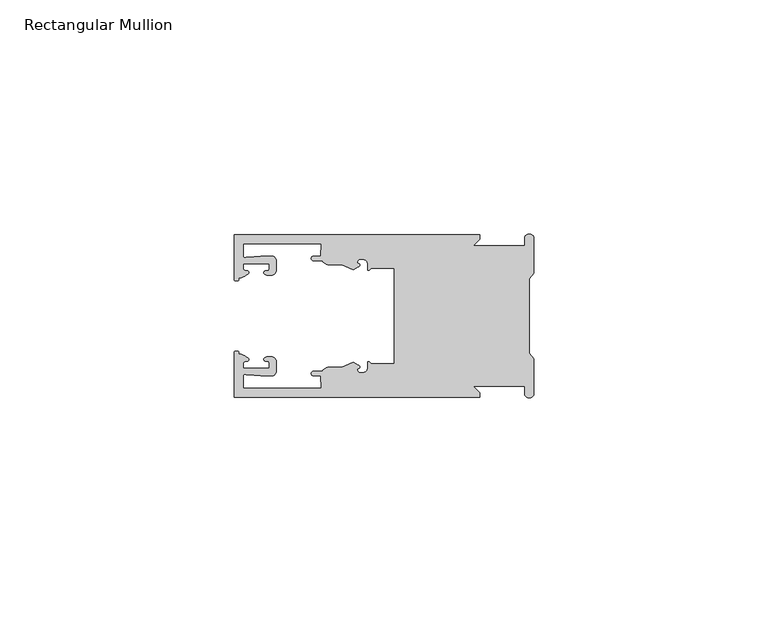
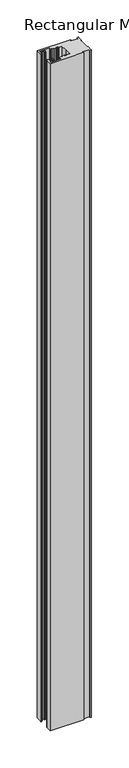
"""IFC4 building model written with IfcOpenShell, lengths in millimetres: member geometry, Rectangular Mullion."""

from ifc_helpers import new_model, si_unit, frame, origin, place, context, project, spatial, polyline, circle_curve, source, transform, mapped, element, save
from ifc_brep_helpers import plane_surface, cylinder_surface, revolved_surface, extruded_surface, spline_curve, advanced_brep


def rectangular_mullion_a515118d(model_context):
    return source(origin(), model_context, "Body", "AdvancedBrep", [
        advanced_brep(
        [(-11.5387897, 17.4000478, 0.0), (-64.0387868, 17.4000478, 0.0), (-64.0387868, 7.8350057, 0.0), (-63.2884687, 7.5412947, 0.0), (-62.4614154, 8.1921895, 0.0), (-62.0410649, 9.9426451, 0.0), (-62.0424168, 11.1926444, 0.0), (-56.54242, 11.1985924, 0.0), (-56.5410682, 9.9485931, 0.0), (-57.1085345, 8.7314723, 0.0), (-56.0397166, 8.6991345, 0.0), (-55.0407987, 9.7002154, 0.0), (-55.0430697, 11.8002142, 0.0), (-56.0446364, 12.7991315, 0.0), (-58.3650753, 12.7954945, 0.0), (-61.1340054, 12.5502269, 0.0), (-62.044093, 12.7426435, 0.0), (-62.0469668, 15.4000478, 0.0), (-45.4240312, 15.4000478, 0.0), (-45.5732135, 12.8000478, 0.0), (-47.0387868, 12.8000478, 0.0), (-47.0387868, 11.8000478, 0.0), (-45.2543363, 11.8000478, 0.0), (-43.6387868, 10.9000478, 0.0), (-41.0454034, 10.9000478, 0.0), (-38.5697136, 9.8718293, 0.0), (-37.5387868, 10.4670351, 0.0), (-37.6803436, 11.4201497, 0.0), (-37.0270763, 12.1583697, 0.0), (-36.2010815, 12.0127245, 0.0), (-35.54, 11.2248783, 0.0), (-35.54, 10.0, 0.0), (-34.7705791, 10.25, 0.0), (-29.79, 10.25, 0.0), (-29.79, 0.0, 0.0), (-29.79, -10.25, 0.0), (-34.7705791, -10.25, 0.0), (-35.54, -10.0, 0.0), (-35.54, -11.2248783, 0.0), (-36.2010815, -12.0127245, 0.0), (-37.0270763, -12.1583697, 0.0), (-37.6803436, -11.4201497, 0.0), (-37.5387868, -10.4670351, 0.0), (-38.5697136, -9.8718293, 0.0), (-41.0454034, -10.9000478, 0.0), (-43.6387868, -10.9000478, 0.0), (-45.2543363, -11.8000478, 0.0), (-47.0387868, -11.8000478, 0.0), (-47.0387868, -12.8000478, 0.0), (-45.5732135, -12.8000478, 0.0), (-45.4240312, -15.4000478, 0.0), (-62.0469668, -15.4000478, 0.0), (-62.044093, -12.7426435, 0.0), (-61.1340054, -12.5502269, 0.0), (-58.3650753, -12.7954945, 0.0), (-56.0446364, -12.7991314, 0.0), (-55.0430697, -11.8002142, 0.0), (-55.0407987, -9.7002154, 0.0), (-56.0397166, -8.6991345, 0.0), (-57.1085345, -8.7314723, 0.0), (-56.5410682, -9.9485931, 0.0), (-56.54242, -11.1985924, 0.0), (-62.0424168, -11.1926444, 0.0), (-62.0410649, -9.9426451, 0.0), (-62.4614154, -8.1921895, 0.0), (-63.2884687, -7.5412947, 0.0), (-64.0387868, -7.8350057, 0.0), (-64.0387868, -17.4000478, 0.0), (-11.5387897, -17.4000478, 0.0), (-11.5387897, -16.4000449, 0.0), (-12.9388346, -15.0, 0.0), (-2.0, -15.0, 0.0), (-2.0, -16.5, 0.0), (0.0, -16.5, 0.0), (0.0, -9.1160254, 0.0), (-1.0, -7.9613249, 0.0), (-1.0, 0.0, 0.0), (-1.0, 7.9613249, 0.0), (0.0, 9.1160254, 0.0), (0.0, 16.5, 0.0), (-2.0, 16.5, 0.0), (-2.0, 15.0, 0.0), (-12.9388346, 15.0, 0.0), (-11.5387897, 16.4000449, 0.0), (-11.5387897, 17.4000478, -1095.93), (-11.5387897, 16.4000449, -1095.93), (-12.9388346, 15.0, -1095.93), (-2.0, 15.0, -1095.93), (-2.0, 16.5, -1095.93), (0.0, 16.5, -1095.93), (0.0, 9.1160254, -1095.93), (-1.0, 7.9613249, -1095.93), (-1.0, 0.0, -1095.93), (-1.0, -7.9613249, -1095.93), (0.0, -9.1160254, -1095.93), (0.0, -16.5, -1095.93), (-2.0, -16.5, -1095.93), (-2.0, -15.0, -1095.93), (-12.9388346, -15.0, -1095.93), (-11.5387897, -16.4000449, -1095.93), (-11.5387897, -17.4000478, -1095.93), (-64.0387868, -17.4000478, -1095.93), (-64.0387868, -7.8350057, -1095.93), (-63.2884687, -7.5412947, -1095.93), (-62.4614154, -8.1921895, -1095.93), (-62.0410649, -9.9426451, -1095.93), (-62.0424168, -11.1926444, -1095.93), (-56.54242, -11.1985924, -1095.93), (-56.5410682, -9.9485931, -1095.93), (-57.1085345, -8.7314723, -1095.93), (-56.0397166, -8.6991345, -1095.93), (-55.0407987, -9.7002154, -1095.93), (-55.0430697, -11.8002142, -1095.93), (-56.0446364, -12.7991315, -1095.93), (-58.3650753, -12.7954945, -1095.93), (-61.1340054, -12.5502269, -1095.93), (-62.044093, -12.7426435, -1095.93), (-62.0469668, -15.4000478, -1095.93), (-45.4240312, -15.4000478, -1095.93), (-45.5732135, -12.8000478, -1095.93), (-47.0387868, -12.8000478, -1095.93), (-47.0387868, -11.8000478, -1095.93), (-45.2543363, -11.8000478, -1095.93), (-43.6387868, -10.9000478, -1095.93), (-41.0454034, -10.9000478, -1095.93), (-38.5697136, -9.8718293, -1095.93), (-37.5387868, -10.4670351, -1095.93), (-37.6803436, -11.4201497, -1095.93), (-37.0270763, -12.1583697, -1095.93), (-36.2010815, -12.0127245, -1095.93), (-35.54, -11.2248783, -1095.93), (-35.54, -10.0, -1095.93), (-34.7705791, -10.25, -1095.93), (-29.79, -10.25, -1095.93), (-29.79, 0.0, -1095.93), (-29.79, 10.25, -1095.93), (-34.7705791, 10.25, -1095.93), (-35.54, 10.0, -1095.93), (-35.54, 11.2248783, -1095.93), (-36.2010815, 12.0127245, -1095.93), (-37.0270763, 12.1583697, -1095.93), (-37.6803436, 11.4201497, -1095.93), (-37.5387868, 10.4670351, -1095.93), (-38.5697136, 9.8718293, -1095.93), (-41.0454034, 10.9000478, -1095.93), (-43.6387868, 10.9000478, -1095.93), (-45.2543363, 11.8000478, -1095.93), (-47.0387868, 11.8000478, -1095.93), (-47.0387868, 12.8000478, -1095.93), (-45.5732135, 12.8000478, -1095.93), (-45.4240312, 15.4000478, -1095.93), (-62.0469668, 15.4000478, -1095.93), (-62.044093, 12.7426435, -1095.93), (-61.1340054, 12.5502269, -1095.93), (-58.3650753, 12.7954945, -1095.93), (-56.0446364, 12.7991314, -1095.93), (-55.0430697, 11.8002142, -1095.93), (-55.0407987, 9.7002154, -1095.93), (-56.0397166, 8.6991345, -1095.93), (-57.1085345, 8.7314723, -1095.93), (-56.5410682, 9.9485931, -1095.93), (-56.54242, 11.1985924, -1095.93), (-62.0424168, 11.1926444, -1095.93), (-62.0410649, 9.9426451, -1095.93), (-62.4614154, 8.1921895, -1095.93), (-63.2884687, 7.5412947, -1095.93), (-64.0387868, 7.8350057, -1095.93), (-64.0387868, 17.4000478, -1095.93)],
        [
            (0, 1),
            (1, 2),
            (2, 3, spline_curve(3, [(-64.0387868, 7.8350057, 0.0), (-64.038491377, 7.561831774, 0.0), (-63.788385325, 7.463928087, 0.0), (-63.2884687, 7.5412947, 0.0)], [4, 4], [0.0, 0.0019169337574178654])),
            (3, 4, spline_curve(3, [(-63.2884687, 7.5412947, 0.0), (-63.057760917, 7.582232011, 0.0), (-63.018445067, 7.725390894, 0.0), (-63.019925494, 8.056436881, 0.0), (-63.103444208, 8.236386866, 0.0), (-62.4614154, 8.1921895, 0.0)], [4, 2, 4], [0.0, 0.0010199524164107188, 0.0024874514725970356])),
            (4, 5, spline_curve(3, [(-62.4614154, 8.1921895, 0.0), (-60.988497673, 8.880962536, 0.0), (-60.794045122, 9.192776957, 0.0), (-60.949808078, 9.57023562, 0.0), (-61.145214014, 9.682771697, 0.0), (-61.665835706, 9.714019003, 0.0), (-61.965242574, 9.660891484, 0.0), (-62.0410649, 9.9426451, 0.0)], [4, 2, 2, 4], [0.0, 0.003269869179570428, 0.005490050486237203, 0.0073545767114364426])),
            (5, 6),
            (6, 7),
            (7, 8),
            (8, 9, spline_curve(3, [(-56.5410682, 9.9485931, 0.0), (-56.634838635, 9.597117104, 0.0), (-56.904956774, 9.698238818, 0.0), (-57.324171444, 9.731086209, 0.0), (-57.45969165, 9.646199885, 0.0), (-57.729003352, 9.346016011, 0.0), (-57.859492582, 9.113082158, 0.0), (-57.1085345, 8.7314723, 0.0)], [4, 2, 2, 4], [0.0, 0.001593963049934732, 0.0033360256320283306, 0.005339140673503943])),
            (9, 10),
            (10, 11, circle_curve(frame((-56.0407981, 9.699134, 0.0), z_axis=(0.0, 0.0, 1.0), x_axis=(0.0010814451158627505, -0.9999994152380598, 0.0)), 1.0)),
            (11, 12),
            (12, 13, circle_curve(frame((-56.0430691, 11.7991327, 0.0), z_axis=(0.0, 0.0, 1.0), x_axis=(0.0010814451158627505, -0.9999994152380598, 0.0)), 1.0)),
            (13, 14),
            (14, 15),
            (15, 16, spline_curve(3, [(-61.1340054, 12.5502269, 0.0), (-61.605485428, 12.508463911, 0.0), (-61.992111419, 12.303164326, 0.0), (-62.044093, 12.7426435, 0.0)], [4, 4], [0.0, 0.0014803385355886016])),
            (16, 17),
            (17, 18),
            (18, 19),
            (19, 20),
            (20, 21, circle_curve(frame((-47.0387868, 12.3000478, 0.0), z_axis=(0.0, 0.0, 1.0), x_axis=(0.0, -1.0, 0.0)), 0.5)),
            (21, 22),
            (22, 23, circle_curve(frame((-43.6387868, 12.8000478, 0.0), z_axis=(0.0, 0.0, 1.0), x_axis=(0.0, -1.0, 0.0)), 1.9)),
            (23, 24),
            (24, 25),
            (25, 26),
            (26, 27, spline_curve(3, [(-37.5387868, 10.4670351, 0.0), (-36.973919853, 10.833863985, 0.0), (-37.198159645, 11.135696286, 0.0), (-37.587892011, 11.260246073, 0.0), (-37.754584192, 11.180452419, 0.0), (-37.6803436, 11.4201497, 0.0)], [4, 2, 4], [0.0, 0.0019283703160353726, 0.003394584635652914])),
            (27, 28, circle_curve(frame((-37.0434863, 11.5147359, 0.0), z_axis=(0.0, 0.0, -1.0), x_axis=(0.0, -1.0, 0.0)), 0.643843)),
            (28, 29),
            (29, 30, circle_curve(frame((-36.34, 11.2248783, 0.0), z_axis=(0.0, 0.0, -1.0), x_axis=(0.0, -1.0, 0.0)), 0.8)),
            (30, 31),
            (31, 32, spline_curve(3, [(-35.54, 10.0, 0.0), (-35.440000238, 9.598293201, 0.0), (-35.183526594, 9.681626535, 0.0), (-34.7705791, 10.25, 0.0)], [4, 4], [0.0, 0.0027473296990141553])),
            (32, 33),
            (33, 34),
            (34, 35),
            (35, 36),
            (36, 37, spline_curve(3, [(-34.7705791, -10.25, 0.0), (-35.183526594, -9.681626535, 0.0), (-35.440000238, -9.598293201, 0.0), (-35.54, -10.0, 0.0)], [4, 4], [0.0, 0.0027473296990141553])),
            (37, 38),
            (38, 39, circle_curve(frame((-36.34, -11.2248783, 0.0), z_axis=(0.0, 0.0, -1.0), x_axis=(0.0, 1.0, 0.0)), 0.8)),
            (39, 40),
            (40, 41, circle_curve(frame((-37.0434863, -11.5147359, 0.0), z_axis=(0.0, 0.0, -1.0), x_axis=(0.0, 1.0, 0.0)), 0.643843)),
            (41, 42, spline_curve(3, [(-37.6803436, -11.4201497, 0.0), (-37.754584192, -11.180452419, 0.0), (-37.587892011, -11.260246073, 0.0), (-37.198159645, -11.135696286, 0.0), (-36.973919853, -10.833863985, 0.0), (-37.5387868, -10.4670351, 0.0)], [4, 2, 4], [0.0, 0.0014662143196175414, 0.003394584635652914])),
            (42, 43),
            (43, 44),
            (44, 45),
            (45, 46, circle_curve(frame((-43.6387868, -12.8000478, 0.0), z_axis=(0.0, 0.0, 1.0), x_axis=(0.0, 1.0, 0.0)), 1.9)),
            (46, 47),
            (47, 48, circle_curve(frame((-47.0387868, -12.3000478, 0.0), z_axis=(0.0, 0.0, 1.0), x_axis=(0.0, 1.0, 0.0)), 0.5)),
            (48, 49),
            (49, 50),
            (50, 51),
            (51, 52),
            (52, 53, spline_curve(3, [(-62.044093, -12.7426435, 0.0), (-61.992111419, -12.303164326, 0.0), (-61.605485428, -12.508463911, 0.0), (-61.1340054, -12.5502269, 0.0)], [4, 4], [0.0, 0.0014803385355886016])),
            (53, 54),
            (54, 55),
            (55, 56, circle_curve(frame((-56.0430691, -11.7991327, 0.0), z_axis=(0.0, 0.0, 1.0), x_axis=(0.001081445115855867, 0.9999994152380598, 0.0)), 1.0)),
            (56, 57),
            (57, 58, circle_curve(frame((-56.0407981, -9.699134, 0.0), z_axis=(0.0, 0.0, 1.0), x_axis=(0.001081445115855867, 0.9999994152380598, 0.0)), 1.0)),
            (58, 59),
            (59, 60, spline_curve(3, [(-57.1085345, -8.7314723, 0.0), (-57.859492582, -9.113082158, 0.0), (-57.729003352, -9.346016011, 0.0), (-57.45969165, -9.646199885, 0.0), (-57.324171444, -9.731086209, 0.0), (-56.904956774, -9.698238818, 0.0), (-56.634838635, -9.597117104, 0.0), (-56.5410682, -9.9485931, 0.0)], [4, 2, 2, 4], [0.0, 0.002003115041475612, 0.0037451776235692107, 0.005339140673503943])),
            (60, 61),
            (61, 62),
            (62, 63),
            (63, 64, spline_curve(3, [(-62.0410649, -9.9426451, 0.0), (-61.965242574, -9.660891484, 0.0), (-61.665835706, -9.714019003, 0.0), (-61.145214014, -9.682771697, 0.0), (-60.949808078, -9.57023562, 0.0), (-60.794045122, -9.192776957, 0.0), (-60.988497673, -8.880962536, 0.0), (-62.4614154, -8.1921895, 0.0)], [4, 2, 2, 4], [0.0, 0.0018645262251992395, 0.004084707531866015, 0.0073545767114364426])),
            (64, 65, spline_curve(3, [(-62.4614154, -8.1921895, 0.0), (-63.103444208, -8.236386866, 0.0), (-63.019925494, -8.056436881, 0.0), (-63.018445067, -7.725390894, 0.0), (-63.057760917, -7.582232011, 0.0), (-63.2884687, -7.5412947, 0.0)], [4, 2, 4], [0.0, 0.0014674990561863168, 0.0024874514725970356])),
            (65, 66, spline_curve(3, [(-63.2884687, -7.5412947, 0.0), (-63.788385325, -7.463928087, 0.0), (-64.038491377, -7.561831774, 0.0), (-64.0387868, -7.8350057, 0.0)], [4, 4], [0.0, 0.0019169337574178654])),
            (66, 67),
            (67, 68),
            (68, 69),
            (69, 70),
            (70, 71),
            (71, 72),
            (72, 73, circle_curve(frame((-1.0, -16.5, 0.0), z_axis=(0.0, 0.0, 1.0), x_axis=(0.0, 1.0, 0.0)), 1.0)),
            (73, 74),
            (74, 75),
            (75, 76),
            (76, 77),
            (77, 78),
            (78, 79),
            (79, 80, circle_curve(frame((-1.0, 16.5, 0.0), z_axis=(0.0, 0.0, 1.0), x_axis=(0.0, -1.0, 0.0)), 1.0)),
            (80, 81),
            (81, 82),
            (82, 83),
            (83, 0),
            (84, 85),
            (85, 86),
            (86, 87),
            (87, 88),
            (88, 89, circle_curve(frame((-1.0, 16.5, -1095.93), z_axis=(0.0, 0.0, -1.0), x_axis=(0.0, -1.0, 0.0)), 1.0)),
            (89, 90),
            (90, 91),
            (91, 92),
            (92, 93),
            (93, 94),
            (94, 95),
            (95, 96, circle_curve(frame((-1.0, -16.5, -1095.93), z_axis=(0.0, 0.0, -1.0), x_axis=(0.0, 1.0, 0.0)), 1.0)),
            (96, 97),
            (97, 98),
            (98, 99),
            (99, 100),
            (100, 101),
            (101, 102),
            (102, 103, spline_curve(3, [(-64.0387868, -7.8350057, -1095.93), (-64.038491377, -7.561831774, -1095.93), (-63.788385325, -7.463928087, -1095.93), (-63.2884687, -7.5412947, -1095.93)], [4, 4], [0.0, 0.0019169337574178654])),
            (103, 104, spline_curve(3, [(-63.2884687, -7.5412947, -1095.93), (-63.057760917, -7.582232011, -1095.93), (-63.018445067, -7.725390894, -1095.93), (-63.019925494, -8.056436881, -1095.93), (-63.103444208, -8.236386866, -1095.93), (-62.4614154, -8.1921895, -1095.93)], [4, 2, 4], [0.0, 0.0010199524164107188, 0.0024874514725970356])),
            (104, 105, spline_curve(3, [(-62.4614154, -8.1921895, -1095.93), (-60.988497673, -8.880962536, -1095.93), (-60.794045122, -9.192776957, -1095.93), (-60.949808078, -9.57023562, -1095.93), (-61.145214014, -9.682771697, -1095.93), (-61.665835706, -9.714019003, -1095.93), (-61.965242574, -9.660891484, -1095.93), (-62.0410649, -9.9426451, -1095.93)], [4, 2, 2, 4], [0.0, 0.003269869179570428, 0.005490050486237203, 0.0073545767114364426])),
            (105, 106),
            (106, 107),
            (107, 108),
            (108, 109, spline_curve(3, [(-56.5410682, -9.9485931, -1095.93), (-56.634838635, -9.597117104, -1095.93), (-56.904956774, -9.698238818, -1095.93), (-57.324171444, -9.731086209, -1095.93), (-57.45969165, -9.646199885, -1095.93), (-57.729003352, -9.346016011, -1095.93), (-57.859492582, -9.113082158, -1095.93), (-57.1085345, -8.7314723, -1095.93)], [4, 2, 2, 4], [0.0, 0.001593963049934732, 0.0033360256320283306, 0.005339140673503943])),
            (109, 110),
            (110, 111, circle_curve(frame((-56.0407981, -9.699134, -1095.93), z_axis=(0.0, 0.0, -1.0), x_axis=(0.001081445115855867, 0.9999994152380598, 0.0)), 1.0)),
            (111, 112),
            (112, 113, circle_curve(frame((-56.0430691, -11.7991327, -1095.93), z_axis=(0.0, 0.0, -1.0), x_axis=(0.001081445115855867, 0.9999994152380598, 0.0)), 1.0)),
            (113, 114),
            (114, 115),
            (115, 116, spline_curve(3, [(-61.1340054, -12.5502269, -1095.93), (-61.605485428, -12.508463911, -1095.93), (-61.992111419, -12.303164326, -1095.93), (-62.044093, -12.7426435, -1095.93)], [4, 4], [0.0, 0.0014803385355886016])),
            (116, 117),
            (117, 118),
            (118, 119),
            (119, 120),
            (120, 121, circle_curve(frame((-47.0387868, -12.3000478, -1095.93), z_axis=(0.0, 0.0, -1.0), x_axis=(0.0, 1.0, 0.0)), 0.5)),
            (121, 122),
            (122, 123, circle_curve(frame((-43.6387868, -12.8000478, -1095.93), z_axis=(0.0, 0.0, -1.0), x_axis=(0.0, 1.0, 0.0)), 1.9)),
            (123, 124),
            (124, 125),
            (125, 126),
            (126, 127, spline_curve(3, [(-37.5387868, -10.4670351, -1095.93), (-36.973919853, -10.833863985, -1095.93), (-37.198159645, -11.135696286, -1095.93), (-37.587892011, -11.260246073, -1095.93), (-37.754584192, -11.180452419, -1095.93), (-37.6803436, -11.4201497, -1095.93)], [4, 2, 4], [0.0, 0.0019283703160353726, 0.003394584635652914])),
            (127, 128, circle_curve(frame((-37.0434863, -11.5147359, -1095.93), z_axis=(0.0, 0.0, 1.0), x_axis=(0.0, 1.0, 0.0)), 0.643843)),
            (128, 129),
            (129, 130, circle_curve(frame((-36.34, -11.2248783, -1095.93), z_axis=(0.0, 0.0, 1.0), x_axis=(0.0, 1.0, 0.0)), 0.8)),
            (130, 131),
            (131, 132, spline_curve(3, [(-35.54, -10.0, -1095.93), (-35.440000238, -9.598293201, -1095.93), (-35.183526594, -9.681626535, -1095.93), (-34.7705791, -10.25, -1095.93)], [4, 4], [0.0, 0.0027473296990141553])),
            (132, 133),
            (133, 134),
            (134, 135),
            (135, 136),
            (136, 137, spline_curve(3, [(-34.7705791, 10.25, -1095.93), (-35.183526594, 9.681626535, -1095.93), (-35.440000238, 9.598293201, -1095.93), (-35.54, 10.0, -1095.93)], [4, 4], [0.0, 0.0027473296990141553])),
            (137, 138),
            (138, 139, circle_curve(frame((-36.34, 11.2248783, -1095.93), z_axis=(0.0, 0.0, 1.0), x_axis=(0.0, -1.0, 0.0)), 0.8)),
            (139, 140),
            (140, 141, circle_curve(frame((-37.0434863, 11.5147359, -1095.93), z_axis=(0.0, 0.0, 1.0), x_axis=(0.0, -1.0, 0.0)), 0.643843)),
            (141, 142, spline_curve(3, [(-37.6803436, 11.4201497, -1095.93), (-37.754584192, 11.180452419, -1095.93), (-37.587892011, 11.260246073, -1095.93), (-37.198159645, 11.135696286, -1095.93), (-36.973919853, 10.833863985, -1095.93), (-37.5387868, 10.4670351, -1095.93)], [4, 2, 4], [0.0, 0.0014662143196175414, 0.003394584635652914])),
            (142, 143),
            (143, 144),
            (144, 145),
            (145, 146, circle_curve(frame((-43.6387868, 12.8000478, -1095.93), z_axis=(0.0, 0.0, -1.0), x_axis=(0.0, -1.0, 0.0)), 1.9)),
            (146, 147),
            (147, 148, circle_curve(frame((-47.0387868, 12.3000478, -1095.93), z_axis=(0.0, 0.0, -1.0), x_axis=(0.0, -1.0, 0.0)), 0.5)),
            (148, 149),
            (149, 150),
            (150, 151),
            (151, 152),
            (152, 153, spline_curve(3, [(-62.044093, 12.7426435, -1095.93), (-61.992111419, 12.303164326, -1095.93), (-61.605485428, 12.508463911, -1095.93), (-61.1340054, 12.5502269, -1095.93)], [4, 4], [0.0, 0.0014803385355886016])),
            (153, 154),
            (154, 155),
            (155, 156, circle_curve(frame((-56.0430691, 11.7991327, -1095.93), z_axis=(0.0, 0.0, -1.0), x_axis=(0.0010814451158627505, -0.9999994152380598, 0.0)), 1.0)),
            (156, 157),
            (157, 158, circle_curve(frame((-56.0407981, 9.699134, -1095.93), z_axis=(0.0, 0.0, -1.0), x_axis=(0.0010814451158627505, -0.9999994152380598, 0.0)), 1.0)),
            (158, 159),
            (159, 160, spline_curve(3, [(-57.1085345, 8.7314723, -1095.93), (-57.859492582, 9.113082158, -1095.93), (-57.729003352, 9.346016011, -1095.93), (-57.45969165, 9.646199885, -1095.93), (-57.324171444, 9.731086209, -1095.93), (-56.904956774, 9.698238818, -1095.93), (-56.634838635, 9.597117104, -1095.93), (-56.5410682, 9.9485931, -1095.93)], [4, 2, 2, 4], [0.0, 0.002003115041475612, 0.0037451776235692107, 0.005339140673503943])),
            (160, 161),
            (161, 162),
            (162, 163),
            (163, 164, spline_curve(3, [(-62.0410649, 9.9426451, -1095.93), (-61.965242574, 9.660891484, -1095.93), (-61.665835706, 9.714019003, -1095.93), (-61.145214014, 9.682771697, -1095.93), (-60.949808078, 9.57023562, -1095.93), (-60.794045122, 9.192776957, -1095.93), (-60.988497673, 8.880962536, -1095.93), (-62.4614154, 8.1921895, -1095.93)], [4, 2, 2, 4], [0.0, 0.0018645262251992395, 0.004084707531866015, 0.0073545767114364426])),
            (164, 165, spline_curve(3, [(-62.4614154, 8.1921895, -1095.93), (-63.103444208, 8.236386866, -1095.93), (-63.019925494, 8.056436881, -1095.93), (-63.018445067, 7.725390894, -1095.93), (-63.057760917, 7.582232011, -1095.93), (-63.2884687, 7.5412947, -1095.93)], [4, 2, 4], [0.0, 0.0014674990561863168, 0.0024874514725970356])),
            (165, 166, spline_curve(3, [(-63.2884687, 7.5412947, -1095.93), (-63.788385325, 7.463928087, -1095.93), (-64.038491377, 7.561831774, -1095.93), (-64.0387868, 7.8350057, -1095.93)], [4, 4], [0.0, 0.0019169337574178654])),
            (166, 167),
            (167, 84),
            (0, 84),
            (167, 1),
            (166, 2),
            (165, 3),
            (164, 4),
            (163, 5),
            (162, 6),
            (161, 7),
            (160, 8),
            (159, 9),
            (158, 10),
            (157, 11),
            (156, 12),
            (155, 13),
            (154, 14),
            (153, 15),
            (152, 16),
            (151, 17),
            (150, 18),
            (149, 19),
            (148, 20),
            (147, 21),
            (146, 22),
            (145, 23),
            (144, 24),
            (143, 25),
            (142, 26),
            (141, 27),
            (140, 28),
            (139, 29),
            (138, 30),
            (137, 31),
            (136, 32),
            (135, 33),
            (134, 34),
            (133, 35),
            (132, 36),
            (131, 37),
            (130, 38),
            (129, 39),
            (128, 40),
            (127, 41),
            (126, 42),
            (125, 43),
            (124, 44),
            (123, 45),
            (122, 46),
            (121, 47),
            (120, 48),
            (119, 49),
            (118, 50),
            (117, 51),
            (116, 52),
            (115, 53),
            (114, 54),
            (113, 55),
            (112, 56),
            (111, 57),
            (110, 58),
            (109, 59),
            (108, 60),
            (107, 61),
            (106, 62),
            (105, 63),
            (104, 64),
            (103, 65),
            (102, 66),
            (101, 67),
            (100, 68),
            (99, 69),
            (98, 70),
            (97, 71),
            (96, 72),
            (95, 73),
            (94, 74),
            (93, 75),
            (92, 76),
            (91, 77),
            (90, 78),
            (89, 79),
            (88, 80),
            (87, 81),
            (86, 82),
            (85, 83),
        ],
        [
            plane_surface(frame((0.0, -66.3605898, 0.0), z_axis=(0.0, 0.0, 1.0), x_axis=(-1.0, 0.0, 0.0))),
            plane_surface(frame((0.0, -66.3605898, -1095.93), z_axis=(0.0, 0.0, -1.0), x_axis=(-1.0, 0.0, 0.0))),
            plane_surface(frame((-11.5387897, 17.4000478, 0.0), z_axis=(0.0, 1.0, 0.0), x_axis=(0.0, 0.0, -1.0))),
            plane_surface(frame((-64.0387868, 17.4000478, 0.0), z_axis=(-1.0, 0.0, 0.0), x_axis=(0.0, 0.0, -1.0))),
            extruded_surface(spline_curve(3, [(-64.0387868, 7.8350057, -1095.93), (-64.038491377, 7.561831774, -1095.93), (-63.788385325, 7.463928087, -1095.93), (-63.2884687, 7.5412947, -1095.93)], [4, 4], [0.0, 0.0019169337574178654]), (0.0, 0.0, 1095.93), 1095.93),
            extruded_surface(spline_curve(3, [(-63.2884687, 7.5412947, -1095.93), (-63.057760917, 7.582232011, -1095.93), (-63.018445067, 7.725390894, -1095.93), (-63.019925494, 8.056436881, -1095.93), (-63.103444208, 8.236386866, -1095.93), (-62.4614154, 8.1921895, -1095.93)], [4, 2, 4], [0.0, 0.0010199524164107188, 0.0024874514725970356]), (0.0, 0.0, 1095.93), 1095.93),
            extruded_surface(spline_curve(3, [(-62.4614154, 8.1921895, -1095.93), (-60.988497673, 8.880962536, -1095.93), (-60.794045122, 9.192776957, -1095.93), (-60.949808078, 9.57023562, -1095.93), (-61.145214014, 9.682771697, -1095.93), (-61.665835706, 9.714019003, -1095.93), (-61.965242574, 9.660891484, -1095.93), (-62.0410649, 9.9426451, -1095.93)], [4, 2, 2, 4], [0.0, 0.003269869179570428, 0.005490050486237203, 0.0073545767114364426]), (0.0, 0.0, 1095.93), 1095.93),
            plane_surface(frame((-62.0410649, 9.9426451, 0.0), z_axis=(0.9999994152380598, 0.0010814451158593665, 0.0), x_axis=(0.0, 0.0, -1.0))),
            plane_surface(frame((-62.0424168, 11.1926444, 0.0), z_axis=(0.0010814451158611391, -0.9999994152380598, 0.0), x_axis=(0.0, 0.0, -1.0))),
            plane_surface(frame((-56.54242, 11.1985924, 0.0), z_axis=(-0.9999994152380598, -0.0010814451158584516, 0.0), x_axis=(0.0, 0.0, -1.0))),
            extruded_surface(spline_curve(3, [(-56.5410682, 9.9485931, -1095.93), (-56.634838635, 9.597117104, -1095.93), (-56.904956774, 9.698238818, -1095.93), (-57.324171444, 9.731086209, -1095.93), (-57.45969165, 9.646199885, -1095.93), (-57.729003352, 9.346016011, -1095.93), (-57.859492582, 9.113082158, -1095.93), (-57.1085345, 8.7314723, -1095.93)], [4, 2, 2, 4], [0.0, 0.001593963049934732, 0.0033360256320283306, 0.005339140673503943]), (0.0, 0.0, 1095.93), 1095.93),
            plane_surface(frame((-57.1085345, 8.7314723, 0.0), z_axis=(-0.030241832452869922, -0.9995426111826813, 0.0), x_axis=(0.0, 0.0, -1.0))),
            cylinder_surface(frame((-56.0407981, 9.699134, 0.0), z_axis=(0.0, 0.0, 1.0000000000000002), x_axis=(0.0010814451158627505, -0.9999994152380598, 0.0)), 1.0),
            plane_surface(frame((-55.0407987, 9.7002154, 0.0), z_axis=(0.9999994152380598, 0.001081445115858722, 0.0), x_axis=(0.0, 0.0, -1.0))),
            cylinder_surface(frame((-56.0430691, 11.7991327, 0.0), z_axis=(0.0, 0.0, 1.0000000000000002), x_axis=(0.0010814451158627505, -0.9999994152380598, 0.0)), 1.0),
            plane_surface(frame((-56.0446364, 12.7991314, 0.0), z_axis=(-0.0015673183327907744, 0.9999987717558677, 0.0), x_axis=(0.0, 0.0, -1.0))),
            plane_surface(frame((-58.3650753, 12.7954945, 0.0), z_axis=(-0.08823302167299531, 0.9960998614026874, 0.0), x_axis=(0.0, 0.0, -1.0))),
            extruded_surface(spline_curve(3, [(-61.1340054, 12.5502269, -1095.93), (-61.605485428, 12.508463911, -1095.93), (-61.992111419, 12.303164326, -1095.93), (-62.044093, 12.7426435, -1095.93)], [4, 4], [0.0, 0.0014803385355886016]), (0.0, 0.0, 1095.93), 1095.93),
            plane_surface(frame((-62.044093, 12.7426435, 0.0), z_axis=(0.9999994152380598, 0.0010814451158597813, 0.0), x_axis=(0.0, 0.0, -1.0))),
            plane_surface(frame((-62.0469668, 15.4000478, 0.0), z_axis=(0.0, -1.0, 0.0), x_axis=(0.0, 0.0, -1.0))),
            plane_surface(frame((-45.4240312, 15.4000478, 0.0), z_axis=(-0.9983579461523547, 0.05728360458675776, 0.0), x_axis=(0.0, 0.0, -1.0))),
            plane_surface(frame((-45.5732135, 12.8000478, 0.0), z_axis=(0.0, 1.0, 0.0), x_axis=(0.0, 0.0, -1.0))),
            cylinder_surface(frame((-47.0387868, 12.3000478, 0.0), z_axis=(0.0, 0.0, 1.0), x_axis=(0.0, -1.0, 0.0)), 0.5),
            plane_surface(frame((-47.0387868, 11.8000478, 0.0), z_axis=(0.0, -1.0, 0.0), x_axis=(0.0, 0.0, -1.0))),
            cylinder_surface(frame((-43.6387868, 12.8000478, 0.0), z_axis=(0.0, 0.0, 1.0), x_axis=(0.0, -1.0, 0.0)), 1.9),
            plane_surface(frame((-43.6387868, 10.9000478, 0.0), z_axis=(0.0, -1.0, 0.0), x_axis=(0.0, 0.0, -1.0))),
            plane_surface(frame((-41.0454034, 10.9000478, 0.0), z_axis=(-0.3835602140750569, -0.9235158700199453, 0.0), x_axis=(0.0, 0.0, -1.0))),
            plane_surface(frame((-38.5697136, 9.8718293, 0.0), z_axis=(0.5000000000252295, -0.8660254037698725, 0.0), x_axis=(0.0, 0.0, -1.0))),
            extruded_surface(spline_curve(3, [(-37.5387868, 10.4670351, -1095.93), (-36.973919853, 10.833863985, -1095.93), (-37.198159645, 11.135696286, -1095.93), (-37.587892011, 11.260246073, -1095.93), (-37.754584192, 11.180452419, -1095.93), (-37.6803436, 11.4201497, -1095.93)], [4, 2, 4], [0.0, 0.0019283703160353726, 0.003394584635652914]), (0.0, 0.0, 1095.93), 1095.93),
            revolved_surface(polyline([(-37.0434863, 10.8708929, -1095.93), (-37.0434863, 10.8708929, 0.0)]), (-37.0434863, 11.5147359, 0.0), (0.0, 0.0, -1.0)),
            plane_surface(frame((-37.0270763, 12.1583697, 0.0), z_axis=(-0.17364817767050408, -0.984807753011578, 0.0), x_axis=(0.0, 0.0, -1.0))),
            revolved_surface(polyline([(-36.34, 10.4248783, -1095.93), (-36.34, 10.4248783, 0.0)]), (-36.34, 11.2248783, 0.0), (0.0, 0.0, -1.0)),
            plane_surface(frame((-35.54, 11.2248783, 0.0), z_axis=(-1.0, 0.0, 0.0), x_axis=(0.0, 0.0, -1.0))),
            extruded_surface(spline_curve(3, [(-35.54, 10.0, -1095.93), (-35.440000238, 9.598293201, -1095.93), (-35.183526594, 9.681626535, -1095.93), (-34.7705791, 10.25, -1095.93)], [4, 4], [0.0, 0.0027473296990141553]), (0.0, 0.0, 1095.93), 1095.93),
            plane_surface(frame((-34.7705791, 10.25, 0.0), z_axis=(0.0, -1.0, 0.0), x_axis=(0.0, 0.0, -1.0))),
            plane_surface(frame((-29.79, 10.25, 0.0), z_axis=(-1.0, 0.0, 0.0), x_axis=(0.0, 0.0, -1.0))),
            plane_surface(frame((-29.79, 0.0, 0.0), z_axis=(-1.0, 0.0, 0.0), x_axis=(0.0, 0.0, -1.0))),
            plane_surface(frame((-29.79, -10.25, 0.0), z_axis=(0.0, 1.0, 0.0), x_axis=(0.0, 0.0, -1.0))),
            extruded_surface(spline_curve(3, [(-34.7705791, -10.25, -1095.93), (-35.183526594, -9.681626535, -1095.93), (-35.440000238, -9.598293201, -1095.93), (-35.54, -10.0, -1095.93)], [4, 4], [0.0, 0.0027473296990141553]), (0.0, 0.0, 1095.93), 1095.93),
            plane_surface(frame((-35.54, -10.0, 0.0), z_axis=(-1.0, 0.0, 0.0), x_axis=(0.0, 0.0, -1.0))),
            revolved_surface(polyline([(-36.34, -10.4248783, -1095.93), (-36.34, -10.4248783, 0.0)]), (-36.34, -11.2248783, 0.0), (0.0, 0.0, -1.0)),
            plane_surface(frame((-36.2010815, -12.0127245, 0.0), z_axis=(-0.17364817767051083, 0.9848077530115767, 0.0), x_axis=(0.0, 0.0, -1.0))),
            revolved_surface(polyline([(-37.0434863, -10.8708929, -1095.93), (-37.0434863, -10.8708929, 0.0)]), (-37.0434863, -11.5147359, 0.0), (0.0, 0.0, -1.0)),
            extruded_surface(spline_curve(3, [(-37.6803436, -11.4201497, -1095.93), (-37.754584192, -11.180452419, -1095.93), (-37.587892011, -11.260246073, -1095.93), (-37.198159645, -11.135696286, -1095.93), (-36.973919853, -10.833863985, -1095.93), (-37.5387868, -10.4670351, -1095.93)], [4, 2, 4], [0.0, 0.0014662143196175414, 0.003394584635652914]), (0.0, 0.0, 1095.93), 1095.93),
            plane_surface(frame((-37.5387868, -10.4670351, 0.0), z_axis=(0.5000000000252234, 0.8660254037698759, 0.0), x_axis=(0.0, 0.0, -1.0))),
            plane_surface(frame((-38.5697136, -9.8718293, 0.0), z_axis=(-0.38356021407506324, 0.9235158700199426, 0.0), x_axis=(0.0, 0.0, -1.0))),
            plane_surface(frame((-41.0454034, -10.9000478, 0.0), z_axis=(0.0, 1.0, 0.0), x_axis=(0.0, 0.0, -1.0))),
            cylinder_surface(frame((-43.6387868, -12.8000478, 0.0), z_axis=(0.0, 0.0, 1.0), x_axis=(0.0, 1.0, 0.0)), 1.9),
            plane_surface(frame((-45.2543363, -11.8000478, 0.0), z_axis=(0.0, 1.0, 0.0), x_axis=(0.0, 0.0, -1.0))),
            cylinder_surface(frame((-47.0387868, -12.3000478, 0.0), z_axis=(0.0, 0.0, 1.0), x_axis=(0.0, 1.0, 0.0)), 0.5),
            plane_surface(frame((-47.0387868, -12.8000478, 0.0), z_axis=(0.0, -1.0, 0.0), x_axis=(0.0, 0.0, -1.0))),
            plane_surface(frame((-45.5732135, -12.8000478, 0.0), z_axis=(-0.9983579461523543, -0.05728360458676463, 0.0), x_axis=(0.0, 0.0, -1.0))),
            plane_surface(frame((-45.4240312, -15.4000478, 0.0), z_axis=(0.0, 1.0, 0.0), x_axis=(0.0, 0.0, -1.0))),
            plane_surface(frame((-62.0469668, -15.4000478, 0.0), z_axis=(0.9999994152380598, -0.001081445115852898, 0.0), x_axis=(0.0, 0.0, -1.0))),
            extruded_surface(spline_curve(3, [(-62.044093, -12.7426435, -1095.93), (-61.992111419, -12.303164326, -1095.93), (-61.605485428, -12.508463911, -1095.93), (-61.1340054, -12.5502269, -1095.93)], [4, 4], [0.0, 0.0014803385355886016]), (0.0, 0.0, 1095.93), 1095.93),
            plane_surface(frame((-61.1340054, -12.5502269, 0.0), z_axis=(-0.08823302167298844, -0.9960998614026879, 0.0), x_axis=(0.0, 0.0, -1.0))),
            plane_surface(frame((-58.3650753, -12.7954945, 0.0), z_axis=(-0.001567318332783891, -0.9999987717558677, 0.0), x_axis=(0.0, 0.0, -1.0))),
            cylinder_surface(frame((-56.0430691, -11.7991327, 0.0), z_axis=(0.0, 0.0, 1.0000000000000002), x_axis=(0.001081445115855867, 0.9999994152380598, 0.0)), 1.0),
            plane_surface(frame((-55.0430697, -11.8002142, 0.0), z_axis=(0.9999994152380598, -0.0010814451158518386, 0.0), x_axis=(0.0, 0.0, -1.0))),
            cylinder_surface(frame((-56.0407981, -9.699134, 0.0), z_axis=(0.0, 0.0, 1.0000000000000002), x_axis=(0.001081445115855867, 0.9999994152380598, 0.0)), 1.0),
            plane_surface(frame((-56.0397166, -8.6991345, 0.0), z_axis=(-0.030241832452876805, 0.9995426111826811, 0.0), x_axis=(0.0, 0.0, -1.0))),
            extruded_surface(spline_curve(3, [(-57.1085345, -8.7314723, -1095.93), (-57.859492582, -9.113082158, -1095.93), (-57.729003352, -9.346016011, -1095.93), (-57.45969165, -9.646199885, -1095.93), (-57.324171444, -9.731086209, -1095.93), (-56.904956774, -9.698238818, -1095.93), (-56.634838635, -9.597117104, -1095.93), (-56.5410682, -9.9485931, -1095.93)], [4, 2, 2, 4], [0.0, 0.002003115041475612, 0.0037451776235692107, 0.005339140673503943]), (0.0, 0.0, 1095.93), 1095.93),
            plane_surface(frame((-56.5410682, -9.9485931, 0.0), z_axis=(-0.9999994152380598, 0.0010814451158515682, 0.0), x_axis=(0.0, 0.0, -1.0))),
            plane_surface(frame((-56.54242, -11.1985924, 0.0), z_axis=(0.0010814451158542558, 0.9999994152380598, 0.0), x_axis=(0.0, 0.0, -1.0))),
            plane_surface(frame((-62.0424168, -11.1926444, 0.0), z_axis=(0.9999994152380598, -0.001081445115852483, 0.0), x_axis=(0.0, 0.0, -1.0))),
            extruded_surface(spline_curve(3, [(-62.0410649, -9.9426451, -1095.93), (-61.965242574, -9.660891484, -1095.93), (-61.665835706, -9.714019003, -1095.93), (-61.145214014, -9.682771697, -1095.93), (-60.949808078, -9.57023562, -1095.93), (-60.794045122, -9.192776957, -1095.93), (-60.988497673, -8.880962536, -1095.93), (-62.4614154, -8.1921895, -1095.93)], [4, 2, 2, 4], [0.0, 0.0018645262251992395, 0.004084707531866015, 0.0073545767114364426]), (0.0, 0.0, 1095.93), 1095.93),
            extruded_surface(spline_curve(3, [(-62.4614154, -8.1921895, -1095.93), (-63.103444208, -8.236386866, -1095.93), (-63.019925494, -8.056436881, -1095.93), (-63.018445067, -7.725390894, -1095.93), (-63.057760917, -7.582232011, -1095.93), (-63.2884687, -7.5412947, -1095.93)], [4, 2, 4], [0.0, 0.0014674990561863168, 0.0024874514725970356]), (0.0, 0.0, 1095.93), 1095.93),
            extruded_surface(spline_curve(3, [(-63.2884687, -7.5412947, -1095.93), (-63.788385325, -7.463928087, -1095.93), (-64.038491377, -7.561831774, -1095.93), (-64.0387868, -7.8350057, -1095.93)], [4, 4], [0.0, 0.0019169337574178654]), (0.0, 0.0, 1095.93), 1095.93),
            plane_surface(frame((-64.0387868, -7.8350057, 0.0), z_axis=(-1.0, 0.0, 0.0), x_axis=(0.0, 0.0, -1.0))),
            plane_surface(frame((-64.0387868, -17.4000478, 0.0), z_axis=(0.0, -1.0, 0.0), x_axis=(0.0, 0.0, -1.0))),
            plane_surface(frame((-11.5387897, -17.4000478, 0.0), z_axis=(1.0, 0.0, 0.0), x_axis=(0.0, 0.0, -1.0))),
            plane_surface(frame((-11.5387897, -16.4000449, 0.0), z_axis=(0.7071067811865457, 0.7071067811865493, 0.0), x_axis=(0.0, 0.0, -1.0))),
            plane_surface(frame((-12.9388346, -15.0, 0.0), z_axis=(0.0, -1.0, 0.0), x_axis=(0.0, 0.0, -1.0))),
            plane_surface(frame((-2.0, -15.0, 0.0), z_axis=(-1.0, 0.0, 0.0), x_axis=(0.0, 0.0, -1.0))),
            cylinder_surface(frame((-1.0, -16.5, 0.0), z_axis=(0.0, 0.0, 1.0), x_axis=(0.0, 1.0, 0.0)), 1.0),
            plane_surface(frame((0.0, -16.5, 0.0), z_axis=(1.0, 0.0, 0.0), x_axis=(0.0, 0.0, -1.0))),
            plane_surface(frame((0.0, -9.1160254, 0.0), z_axis=(0.7559289460231527, 0.6546536707025522, 0.0), x_axis=(0.0, 0.0, -1.0))),
            plane_surface(frame((-1.0, -7.9613249, 0.0), z_axis=(1.0, 0.0, 0.0), x_axis=(0.0, 0.0, -1.0))),
            plane_surface(frame((-1.0, 0.0, 0.0), z_axis=(1.0, 0.0, 0.0), x_axis=(0.0, 0.0, -1.0))),
            plane_surface(frame((-1.0, 7.9613249, 0.0), z_axis=(0.7559289460231571, -0.654653670702547, 0.0), x_axis=(0.0, 0.0, -1.0))),
            plane_surface(frame((0.0, 9.1160254, 0.0), z_axis=(1.0, 0.0, 0.0), x_axis=(0.0, 0.0, -1.0))),
            cylinder_surface(frame((-1.0, 16.5, 0.0), z_axis=(0.0, 0.0, 1.0), x_axis=(0.0, -1.0, 0.0)), 1.0),
            plane_surface(frame((-2.0, 16.5, 0.0), z_axis=(-1.0, 0.0, 0.0), x_axis=(0.0, 0.0, -1.0))),
            plane_surface(frame((-2.0, 15.0, 0.0), z_axis=(0.0, 1.0, 0.0), x_axis=(0.0, 0.0, -1.0))),
            plane_surface(frame((-12.9388346, 15.0, 0.0), z_axis=(0.7071067811865507, -0.7071067811865446, 0.0), x_axis=(0.0, 0.0, -1.0))),
            plane_surface(frame((-11.5387897, 16.4000449, 0.0), z_axis=(1.0, 0.0, 0.0), x_axis=(0.0, 0.0, -1.0))),
        ],
        [
            (0, [[1, 2, 3, 4, 5, 6, 7, 8, 9, 10, 11, 12, 13, 14, 15, 16, 17, 18, 19, 20, 21, 22, 23, 24, 25, 26, 27, 28, 29, 30, 31, 32, 33, 34, 35, 36, 37, 38, 39, 40, 41, 42, 43, 44, 45, 46, 47, 48, 49, 50, 51, 52, 53, 54, 55, 56, 57, 58, 59, 60, 61, 62, 63, 64, 65, 66, 67, 68, 69, 70, 71, 72, 73, 74, 75, 76, 77, 78, 79, 80, 81, 82, 83, 84]]),
            (1, [[85, 86, 87, 88, 89, 90, 91, 92, 93, 94, 95, 96, 97, 98, 99, 100, 101, 102, 103, 104, 105, 106, 107, 108, 109, 110, 111, 112, 113, 114, 115, 116, 117, 118, 119, 120, 121, 122, 123, 124, 125, 126, 127, 128, 129, 130, 131, 132, 133, 134, 135, 136, 137, 138, 139, 140, 141, 142, 143, 144, 145, 146, 147, 148, 149, 150, 151, 152, 153, 154, 155, 156, 157, 158, 159, 160, 161, 162, 163, 164, 165, 166, 167, 168]]),
            (2, [[-1, 169, -168, 170]]),
            (3, [[-2, -170, -167, 171]]),
            (4, [[-3, -171, -166, 172]]),
            (5, [[-4, -172, -165, 173]]),
            (6, [[-5, -173, -164, 174]]),
            (7, [[-6, -174, -163, 175]]),
            (8, [[-7, -175, -162, 176]]),
            (9, [[-8, -176, -161, 177]]),
            (10, [[-9, -177, -160, 178]]),
            (11, [[-10, -178, -159, 179]]),
            (12, [[-11, -179, -158, 180]]),
            (13, [[-12, -180, -157, 181]]),
            (14, [[-13, -181, -156, 182]]),
            (15, [[-14, -182, -155, 183]]),
            (16, [[-15, -183, -154, 184]]),
            (17, [[-16, -184, -153, 185]]),
            (18, [[-17, -185, -152, 186]]),
            (19, [[-18, -186, -151, 187]]),
            (20, [[-19, -187, -150, 188]]),
            (21, [[-20, -188, -149, 189]]),
            (22, [[-21, -189, -148, 190]]),
            (23, [[-22, -190, -147, 191]]),
            (24, [[-23, -191, -146, 192]]),
            (25, [[-24, -192, -145, 193]]),
            (26, [[-25, -193, -144, 194]]),
            (27, [[-26, -194, -143, 195]]),
            (28, [[-27, -195, -142, 196]]),
            (29, [[-28, -196, -141, 197]]),
            (30, [[-29, -197, -140, 198]]),
            (31, [[-30, -198, -139, 199]]),
            (32, [[-31, -199, -138, 200]]),
            (33, [[-32, -200, -137, 201]]),
            (34, [[-33, -201, -136, 202]]),
            (35, [[-34, -202, -135, 203]]),
            (36, [[-35, -203, -134, 204]]),
            (37, [[-36, -204, -133, 205]]),
            (38, [[-37, -205, -132, 206]]),
            (39, [[-38, -206, -131, 207]]),
            (40, [[-39, -207, -130, 208]]),
            (41, [[-40, -208, -129, 209]]),
            (42, [[-41, -209, -128, 210]]),
            (43, [[-42, -210, -127, 211]]),
            (44, [[-43, -211, -126, 212]]),
            (45, [[-44, -212, -125, 213]]),
            (46, [[-45, -213, -124, 214]]),
            (47, [[-46, -214, -123, 215]]),
            (48, [[-47, -215, -122, 216]]),
            (49, [[-48, -216, -121, 217]]),
            (50, [[-49, -217, -120, 218]]),
            (51, [[-50, -218, -119, 219]]),
            (52, [[-51, -219, -118, 220]]),
            (53, [[-52, -220, -117, 221]]),
            (54, [[-53, -221, -116, 222]]),
            (55, [[-54, -222, -115, 223]]),
            (56, [[-55, -223, -114, 224]]),
            (57, [[-56, -224, -113, 225]]),
            (58, [[-57, -225, -112, 226]]),
            (59, [[-58, -226, -111, 227]]),
            (60, [[-59, -227, -110, 228]]),
            (61, [[-60, -228, -109, 229]]),
            (62, [[-61, -229, -108, 230]]),
            (63, [[-62, -230, -107, 231]]),
            (64, [[-63, -231, -106, 232]]),
            (65, [[-64, -232, -105, 233]]),
            (66, [[-65, -233, -104, 234]]),
            (67, [[-66, -234, -103, 235]]),
            (68, [[-67, -235, -102, 236]]),
            (69, [[-68, -236, -101, 237]]),
            (70, [[-69, -237, -100, 238]]),
            (71, [[-70, -238, -99, 239]]),
            (72, [[-71, -239, -98, 240]]),
            (73, [[-72, -240, -97, 241]]),
            (74, [[-73, -241, -96, 242]]),
            (75, [[-74, -242, -95, 243]]),
            (76, [[-75, -243, -94, 244]]),
            (77, [[-76, -244, -93, 245]]),
            (78, [[-77, -245, -92, 246]]),
            (79, [[-78, -246, -91, 247]]),
            (80, [[-79, -247, -90, 248]]),
            (81, [[-80, -248, -89, 249]]),
            (82, [[-81, -249, -88, 250]]),
            (83, [[-82, -250, -87, 251]]),
            (84, [[-83, -251, -86, 252]]),
            (85, [[-84, -252, -85, -169]]),
        ],
    ),
    ])


if __name__ == "__main__":
    model = new_model("IFC4")
    model_context = context("Model", 3, world=origin())
    ifc_project = project(units=[si_unit("LENGTHUNIT", "METRE", prefix="MILLI")], contexts=[model_context])
    site = spatial("IfcSite", under=ifc_project)
    building = spatial("IfcBuilding", under=site)
    placement = place(None, origin())
    rectangular_mullion_shape = rectangular_mullion_a515118d(model_context)
    element("IfcMember", 1, ObjectType="Rectangular Mullion", at=placement, inside=building, context=model_context, shape_type="MappedRepresentation", body=[
        mapped(rectangular_mullion_shape, transform((0.0, 0.0, 0.0), x_axis=(1.0, 0.0, 0.0), y_axis=(0.0, 1.0, 0.0), z_axis=(0.0, 0.0, 1.0))),
    ])
    save(model, "model.ifc")
